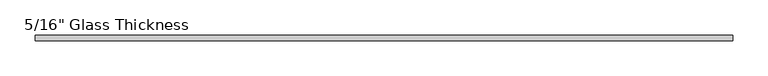
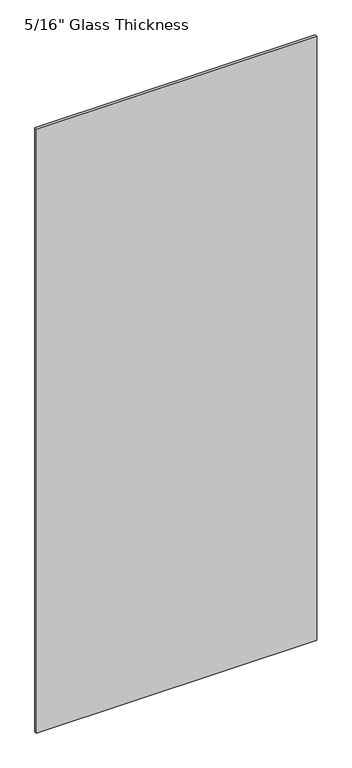
"""IFC4 building model written with IfcOpenShell, lengths in millimetres: plate geometry."""

from ifc_helpers import new_model, si_unit, origin, origin_with_axes, place, context, project, spatial, polyline, outline, extrude, source, transform, mapped, element, save


def plate_881b172b(model_context):
    return source(origin(), model_context, "Body", "SweptSolid", [
        extrude(outline(polyline([(498.0, 0.0), (-498.0, 0.0), (-498.0, 8.0), (498.0, 8.0), (498.0, 0.0)])), origin_with_axes(), (0.0, 0.0, 1.0), 2267.0),
    ])


if __name__ == "__main__":
    model = new_model("IFC4")
    model_context = context("Model", 3, world=origin())
    ifc_project = project(units=[si_unit("LENGTHUNIT", "METRE", prefix="MILLI")], contexts=[model_context])
    site = spatial("IfcSite", under=ifc_project)
    building = spatial("IfcBuilding", under=site)
    placement = place(None, origin())
    plate_shape = plate_881b172b(model_context)
    element("IfcPlate", 1, ObjectType="5/16\" Glass Thickness", at=placement, inside=building, context=model_context, shape_type="MappedRepresentation", body=[
        mapped(plate_shape, transform((0.0, 0.0, 0.0), x_axis=(1.0, 0.0, 0.0), y_axis=(0.0, 1.0, 0.0), z_axis=(0.0, 0.0, 1.0))),
    ])
    save(model, "model.ifc")
